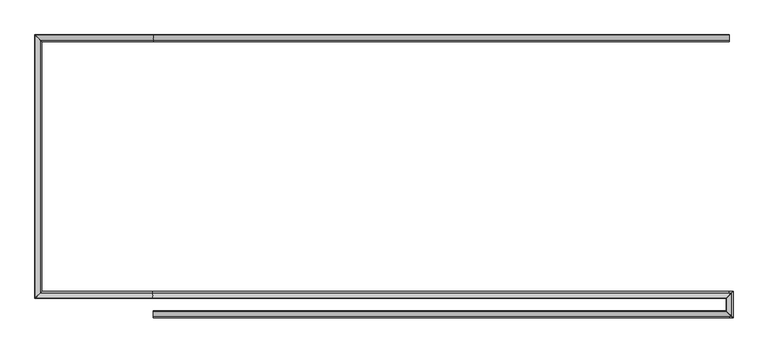
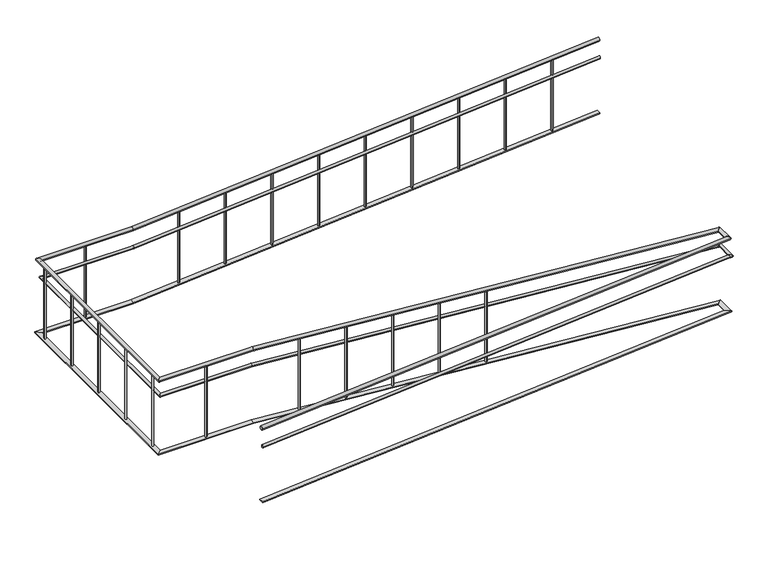
"""IFC4 building model written with IfcOpenShell, lengths in millimetres: railing geometry."""

from ifc_helpers import new_model, si_unit, point, frame, frame_2d, origin, place, context, project, spatial, circle_curve, ellipse_curve, trimmed, segment, composite_curve, outline, extrude, faceted_brep, source, transform, mapped, element, save
from ifc_brep_helpers import plane_surface, cylinder_surface, advanced_brep


def railing_3324883e(model_context):
    return source(origin(), model_context, "Body", "SolidModel", [
        advanced_brep(
        [(-11239.9887159, -19676.8920513, -320.0638979), (-11239.9887159, -19716.8920513, -320.0638979), (-6258.330117, -19676.8920513, 78.46879), (-6218.4575059, -19716.8920513, 81.6585989)],
        [
            (0, 1, ellipse_curve(frame((-11239.9887159, -19696.8920513, -320.0638979), z_axis=(-1.0, 0.0, 0.0), x_axis=(0.0, 0.0, -1.0)), 20.0638979, 20.0)),
            (1, 0, ellipse_curve(frame((-11239.9887159, -19696.8920513, -320.0638979), z_axis=(-1.0, 0.0, 0.0), x_axis=(0.0, 0.0, -1.0)), 20.0638979, 20.0)),
            (2, 3, ellipse_curve(frame((-6238.3938115, -19696.8920513, 80.0636944), z_axis=(0.7048548430432531, 0.7071067811865457, 0.05638838744346014), x_axis=(-0.7048548430432493, 0.7071067811865495, -0.056388387443460065)), 28.2842712, 20.0)),
            (3, 2, ellipse_curve(frame((-6238.3938115, -19696.8920513, 80.0636944), z_axis=(0.7048548430432531, 0.7071067811865457, 0.05638838744346014), x_axis=(-0.7048548430432493, 0.7071067811865495, -0.056388387443460065)), 28.2842712, 20.0)),
            (0, 2),
            (3, 1),
        ],
        [
            plane_surface(frame((-11239.9887159, -19696.8920513, -300.0), z_axis=(-1.0, 0.0, 0.0), x_axis=(0.0, 1.0, 0.0))),
            plane_surface(frame((-6239.9887159, -19696.8920513, 100.0), z_axis=(0.7048548430432531, 0.7071067811865457, 0.05638838744346014), x_axis=(0.70935157026574, -0.7026242841491802, -0.05603092972083304))),
            cylinder_surface(frame((-11238.3938115, -19696.8920513, -319.9363056), z_axis=(-0.9968152785361251, 0.0, -0.07974522228289002), x_axis=(0.0, -1.0, 0.0)), 20.0),
        ],
        [
            (0, [[1, 2]]),
            (1, [[3, 4]]),
            (2, [[-1, 5, -4, 6]]),
            (2, [[-2, -6, -3, -5]]),
        ],
    ),
        advanced_brep(
        [(-6259.9887159, -19675.3608413, 80.0), (-6219.9887159, -19715.2334525, 80.0), (-6259.9887159, -19555.2334525, 80.0), (-6219.9887159, -19515.3608413, 80.0)],
        [
            (0, 1, ellipse_curve(frame((-6239.9887159, -19695.2971469, 80.0), z_axis=(-0.7048548430432531, -0.7071067811865457, -0.05638838744346014), x_axis=(0.7048548430432493, -0.7071067811865495, 0.05638838744346004)), 28.2842712, 20.0)),
            (1, 0, ellipse_curve(frame((-6239.9887159, -19695.2971469, 80.0), z_axis=(-0.7048548430432531, -0.7071067811865457, -0.05638838744346014), x_axis=(0.7048548430432493, -0.7071067811865495, 0.05638838744346004)), 28.2842712, 20.0)),
            (2, 3, ellipse_curve(frame((-6239.9887159, -19535.2971469, 80.0), z_axis=(-0.7048548430432501, 0.7071067811865488, 0.056388387443460086), x_axis=(-0.7048548430432525, -0.7071067811865462, 0.056388387443460086)), 28.2842712, 20.0)),
            (3, 2, ellipse_curve(frame((-6239.9887159, -19535.2971469, 80.0), z_axis=(-0.7048548430432501, 0.7071067811865488, 0.056388387443460086), x_axis=(-0.7048548430432525, -0.7071067811865462, 0.056388387443460086)), 28.2842712, 20.0)),
            (0, 2),
            (3, 1),
        ],
        [
            plane_surface(frame((-6239.9887159, -19696.8920513, 100.0), z_axis=(-0.7048548430432531, -0.7071067811865457, -0.05638838744346014), x_axis=(0.70935157026574, -0.7026242841491802, -0.05603092972083304))),
            plane_surface(frame((-6239.9887159, -19536.8920513, 100.0), z_axis=(-0.7048548430432501, 0.7071067811865488, 0.056388387443460086), x_axis=(0.7093515702657431, 0.7026242841491772, 0.0560309297208325))),
            cylinder_surface(frame((-6239.9887159, -19696.8920513, 80.0), z_axis=(0.0, -1.0, 0.0), x_axis=(1.0, 0.0, 0.0)), 20.0),
        ],
        [
            (0, [[1, 2]]),
            (1, [[3, 4]]),
            (2, [[-1, 5, -4, 6]]),
            (2, [[-2, -6, -3, -5]]),
        ],
    ),
        advanced_brep(
        [(-6261.5199259, -19556.8920513, 81.6585989), (-6221.6473148, -19516.8920513, 78.46879), (-11240.78744, -19556.8920513, 480.0), (-11240.78744, -19516.8920513, 480.0), (-12259.9887159, -19556.8920513, 480.0), (-12219.9887159, -19516.8920513, 480.0), (-12259.9887159, -17276.8920513, 480.0), (-12219.9887159, -17316.8920513, 480.0), (-11239.1899918, -17276.8920513, 480.0), (-11239.1899918, -17316.8920513, 480.0), (-6239.9887159, -17276.8920513, 879.9361021), (-6239.9887159, -17316.8920513, 879.9361021)],
        [
            (0, 1, ellipse_curve(frame((-6241.5836203, -19536.8920513, 80.0636944), z_axis=(0.7048548430432501, -0.7071067811865488, -0.056388387443460086), x_axis=(0.704854843043252, 0.7071067811865466, -0.056388387443460086)), 28.2842712, 20.0)),
            (1, 0, ellipse_curve(frame((-6241.5836203, -19536.8920513, 80.0636944), z_axis=(0.7048548430432501, -0.7071067811865488, -0.056388387443460086), x_axis=(0.704854843043252, 0.7071067811865466, -0.056388387443460086)), 28.2842712, 20.0)),
            (0, 2),
            (2, 3, ellipse_curve(frame((-11240.78744, -19536.8920513, 480.0), z_axis=(0.9992035024298416, 0.0, -0.03990439489501752), x_axis=(-0.03990439489501675, 0.0, -0.9992035024298416)), 20.0159426, 20.0)),
            (3, 1),
            (3, 2, ellipse_curve(frame((-11240.78744, -19536.8920513, 480.0), z_axis=(0.9992035024298416, 0.0, -0.03990439489501752), x_axis=(-0.03990439489501675, 0.0, -0.9992035024298416)), 20.0159426, 20.0)),
            (2, 4),
            (4, 5, ellipse_curve(frame((-12239.9887159, -19536.8920513, 480.0), z_axis=(0.7071067811865462, -0.7071067811865487, 0.0), x_axis=(0.7071067811865488, 0.7071067811865461, 0.0)), 28.2842712, 20.0)),
            (5, 3),
            (5, 4, ellipse_curve(frame((-12239.9887159, -19536.8920513, 480.0), z_axis=(0.7071067811865462, -0.7071067811865487, 0.0), x_axis=(0.7071067811865488, 0.7071067811865461, 0.0)), 28.2842712, 20.0)),
            (4, 6),
            (6, 7, ellipse_curve(frame((-12239.9887159, -17296.8920513, 480.0), z_axis=(-0.7071067811865487, -0.7071067811865462, 0.0), x_axis=(0.7071067811865461, -0.7071067811865488, 0.0)), 28.2842712, 20.0)),
            (7, 5),
            (7, 6, ellipse_curve(frame((-12239.9887159, -17296.8920513, 480.0), z_axis=(-0.7071067811865487, -0.7071067811865462, 0.0), x_axis=(0.7071067811865461, -0.7071067811865488, 0.0)), 28.2842712, 20.0)),
            (6, 8),
            (8, 9, ellipse_curve(frame((-11239.1899918, -17296.8920513, 480.0), z_axis=(-0.9992035024298416, 0.0, -0.03990439489501751), x_axis=(-0.039904394895019554, 0.0, 0.9992035024298416)), 20.0159426, 20.0)),
            (9, 7),
            (9, 8, ellipse_curve(frame((-11239.1899918, -17296.8920513, 480.0), z_axis=(-0.9992035024298416, 0.0, -0.03990439489501751), x_axis=(-0.039904394895019554, 0.0, 0.9992035024298416)), 20.0159426, 20.0)),
            (10, 11, ellipse_curve(frame((-6239.9887159, -17296.8920513, 879.9361021), z_axis=(1.0, 0.0, 0.0), x_axis=(0.0, 0.0, -1.0)), 20.0638979, 20.0)),
            (11, 10, ellipse_curve(frame((-6239.9887159, -17296.8920513, 879.9361021), z_axis=(1.0, 0.0, 0.0), x_axis=(0.0, 0.0, -1.0)), 20.0638979, 20.0)),
            (8, 10),
            (11, 9),
        ],
        [
            plane_surface(frame((-6239.9887159, -19536.8920513, 100.0), z_axis=(0.7048548430432501, -0.7071067811865488, -0.056388387443460086), x_axis=(0.7093515702657431, 0.7026242841491772, 0.0560309297208325))),
            cylinder_surface(frame((-6241.5836203, -19536.8920513, 80.0636944), z_axis=(0.9968152785361251, 0.0, -0.07974522228289001), x_axis=(0.0, 1.0, 0.0)), 20.0),
            cylinder_surface(frame((-11239.9887159, -19536.8920513, 480.0), z_axis=(1.0, 0.0, 0.0), x_axis=(0.0, 1.0, 0.0)), 20.0),
            cylinder_surface(frame((-12239.9887159, -19536.8920513, 480.0), z_axis=(0.0, -1.0, 0.0), x_axis=(1.0, 0.0, 0.0)), 20.0),
            cylinder_surface(frame((-12239.9887159, -17296.8920513, 480.0), z_axis=(-1.0, 0.0, 0.0), x_axis=(0.0, -1.0, 0.0)), 20.0),
            plane_surface(frame((-6239.9887159, -17296.8920513, 900.0), z_axis=(1.0, 0.0, 0.0), x_axis=(0.0, 1.0, 0.0))),
            cylinder_surface(frame((-11238.3938115, -17296.8920513, 480.0636944), z_axis=(-0.9968152785361251, 0.0, -0.07974522228288998), x_axis=(0.0, -1.0, 0.0)), 20.0),
        ],
        [
            (0, [[1, 2]]),
            (1, [[-1, 3, 4, 5]]),
            (1, [[-2, -5, 6, -3]]),
            (2, [[-4, 7, 8, 9]]),
            (2, [[-6, -9, 10, -7]]),
            (3, [[-8, 11, 12, 13]]),
            (3, [[-10, -13, 14, -11]]),
            (4, [[-12, 15, 16, 17]]),
            (4, [[-14, -17, 18, -15]]),
            (5, [[19, 20]]),
            (6, [[-16, 21, -20, 22]]),
            (6, [[-18, -22, -19, -21]]),
        ],
    ),
        advanced_brep(
        [(-11239.9887159, -19701.8920513, -515.0479234), (-11239.9887159, -19731.8920513, -515.0479234), (-6239.3896728, -19701.8920513, -115.0), (-6239.3896728, -19731.8920513, -115.0), (-6234.9887159, -19701.8920513, -115.0), (-6204.9887159, -19731.8920513, -115.0), (-6234.9887159, -19531.8920513, -115.0), (-6204.9887159, -19501.8920513, -115.0), (-6240.587759, -19531.8920513, -115.0), (-6240.587759, -19501.8920513, -115.0), (-11240.587759, -19531.8920513, 285.0), (-11240.587759, -19501.8920513, 285.0), (-12234.9887159, -19531.8920513, 285.0), (-12204.9887159, -19501.8920513, 285.0), (-12234.9887159, -17301.8920513, 285.0), (-12204.9887159, -17331.8920513, 285.0), (-11239.3896728, -17301.8920513, 285.0), (-11239.3896728, -17331.8920513, 285.0), (-6239.9887159, -17301.8920513, 684.9520766), (-6239.9887159, -17331.8920513, 684.9520766)],
        [
            (0, 1, ellipse_curve(frame((-11239.9887159, -19716.8920513, -515.0479234), z_axis=(-1.0, 0.0, 0.0), x_axis=(0.0, 0.0, -1.0)), 15.0479234, 15.0)),
            (1, 0, ellipse_curve(frame((-11239.9887159, -19716.8920513, -515.0479234), z_axis=(-1.0, 0.0, 0.0), x_axis=(0.0, 0.0, -1.0)), 15.0479234, 15.0)),
            (0, 2),
            (2, 3, ellipse_curve(frame((-6239.3896728, -19716.8920513, -115.0), z_axis=(-0.9992035024298416, 0.0, -0.03990439489501753), x_axis=(0.03990439489501675, 0.0, -0.9992035024298417)), 15.011957, 15.0)),
            (3, 1),
            (3, 2, ellipse_curve(frame((-6239.3896728, -19716.8920513, -115.0), z_axis=(-0.9992035024298416, 0.0, -0.03990439489501753), x_axis=(0.03990439489501675, 0.0, -0.9992035024298417)), 15.011957, 15.0)),
            (2, 4),
            (4, 5, ellipse_curve(frame((-6219.9887159, -19716.8920513, -115.0), z_axis=(-0.7071067811865493, -0.7071067811865456, 0.0), x_axis=(-0.7071067811865458, 0.7071067811865492, 0.0)), 21.2132034, 15.0)),
            (5, 3),
            (5, 4, ellipse_curve(frame((-6219.9887159, -19716.8920513, -115.0), z_axis=(-0.7071067811865493, -0.7071067811865456, 0.0), x_axis=(-0.7071067811865458, 0.7071067811865492, 0.0)), 21.2132034, 15.0)),
            (4, 6),
            (6, 7, ellipse_curve(frame((-6219.9887159, -19516.8920513, -115.0), z_axis=(0.7071067811865462, -0.7071067811865487, 0.0), x_axis=(-0.7071067811865486, -0.7071067811865464, 0.0)), 21.2132034, 15.0)),
            (7, 5),
            (7, 6, ellipse_curve(frame((-6219.9887159, -19516.8920513, -115.0), z_axis=(0.7071067811865462, -0.7071067811865487, 0.0), x_axis=(-0.7071067811865486, -0.7071067811865464, 0.0)), 21.2132034, 15.0)),
            (6, 8),
            (8, 9, ellipse_curve(frame((-6240.587759, -19516.8920513, -115.0), z_axis=(0.9992035024298416, 0.0, -0.03990439489501752), x_axis=(0.03990439489501954, 0.0, 0.9992035024298416)), 15.011957, 15.0)),
            (9, 7),
            (9, 8, ellipse_curve(frame((-6240.587759, -19516.8920513, -115.0), z_axis=(0.9992035024298416, 0.0, -0.03990439489501752), x_axis=(0.03990439489501954, 0.0, 0.9992035024298416)), 15.011957, 15.0)),
            (8, 10),
            (10, 11, ellipse_curve(frame((-11240.587759, -19516.8920513, 285.0), z_axis=(0.9992035024298416, 0.0, -0.03990439489501752), x_axis=(-0.03990439489501675, 0.0, -0.9992035024298416)), 15.011957, 15.0)),
            (11, 9),
            (11, 10, ellipse_curve(frame((-11240.587759, -19516.8920513, 285.0), z_axis=(0.9992035024298416, 0.0, -0.03990439489501752), x_axis=(-0.03990439489501675, 0.0, -0.9992035024298416)), 15.011957, 15.0)),
            (10, 12),
            (12, 13, ellipse_curve(frame((-12219.9887159, -19516.8920513, 285.0), z_axis=(0.7071067811865462, -0.7071067811865487, 0.0), x_axis=(0.7071067811865488, 0.7071067811865461, 0.0)), 21.2132034, 15.0)),
            (13, 11),
            (13, 12, ellipse_curve(frame((-12219.9887159, -19516.8920513, 285.0), z_axis=(0.7071067811865462, -0.7071067811865487, 0.0), x_axis=(0.7071067811865488, 0.7071067811865461, 0.0)), 21.2132034, 15.0)),
            (12, 14),
            (14, 15, ellipse_curve(frame((-12219.9887159, -17316.8920513, 285.0), z_axis=(-0.7071067811865487, -0.7071067811865462, 0.0), x_axis=(0.7071067811865461, -0.7071067811865488, 0.0)), 21.2132034, 15.0)),
            (15, 13),
            (15, 14, ellipse_curve(frame((-12219.9887159, -17316.8920513, 285.0), z_axis=(-0.7071067811865487, -0.7071067811865462, 0.0), x_axis=(0.7071067811865461, -0.7071067811865488, 0.0)), 21.2132034, 15.0)),
            (14, 16),
            (16, 17, ellipse_curve(frame((-11239.3896728, -17316.8920513, 285.0), z_axis=(-0.9992035024298416, 0.0, -0.03990439489501751), x_axis=(-0.039904394895019554, 0.0, 0.9992035024298416)), 15.011957, 15.0)),
            (17, 15),
            (17, 16, ellipse_curve(frame((-11239.3896728, -17316.8920513, 285.0), z_axis=(-0.9992035024298416, 0.0, -0.03990439489501751), x_axis=(-0.039904394895019554, 0.0, 0.9992035024298416)), 15.011957, 15.0)),
            (18, 19, ellipse_curve(frame((-6239.9887159, -17316.8920513, 684.9520766), z_axis=(1.0, 0.0, 0.0), x_axis=(0.0, 0.0, -1.0)), 15.0479234, 15.0)),
            (19, 18, ellipse_curve(frame((-6239.9887159, -17316.8920513, 684.9520766), z_axis=(1.0, 0.0, 0.0), x_axis=(0.0, 0.0, -1.0)), 15.0479234, 15.0)),
            (16, 18),
            (19, 17),
        ],
        [
            plane_surface(frame((-11239.9887159, -19716.8920513, -500.0), z_axis=(-1.0, 0.0, 0.0), x_axis=(0.0, 1.0, 0.0))),
            cylinder_surface(frame((-11238.7925376, -19716.8920513, -514.9522292), z_axis=(-0.9968152785361251, 0.0, -0.07974522228289002), x_axis=(0.0, -1.0, 0.0)), 15.0),
            cylinder_surface(frame((-6239.9887159, -19716.8920513, -115.0), z_axis=(-1.0, 0.0, 0.0), x_axis=(0.0, -1.0, 0.0)), 15.0),
            cylinder_surface(frame((-6219.9887159, -19716.8920513, -115.0), z_axis=(0.0, -1.0, 0.0), x_axis=(1.0, 0.0, 0.0)), 15.0),
            cylinder_surface(frame((-6219.9887159, -19516.8920513, -115.0), z_axis=(1.0, 0.0, 0.0), x_axis=(0.0, 1.0, 0.0)), 15.0),
            cylinder_surface(frame((-6241.1848942, -19516.8920513, -114.9522292), z_axis=(0.9968152785361251, 0.0, -0.07974522228289001), x_axis=(0.0, 1.0, 0.0)), 15.0),
            cylinder_surface(frame((-11239.9887159, -19516.8920513, 285.0), z_axis=(1.0, 0.0, 0.0), x_axis=(0.0, 1.0, 0.0)), 15.0),
            cylinder_surface(frame((-12219.9887159, -19516.8920513, 285.0), z_axis=(0.0, -1.0, 0.0), x_axis=(1.0, 0.0, 0.0)), 15.0),
            cylinder_surface(frame((-12219.9887159, -17316.8920513, 285.0), z_axis=(-1.0, 0.0, 0.0), x_axis=(0.0, -1.0, 0.0)), 15.0),
            plane_surface(frame((-6239.9887159, -17316.8920513, 700.0), z_axis=(1.0, 0.0, 0.0), x_axis=(0.0, 1.0, 0.0))),
            cylinder_surface(frame((-11238.7925376, -17316.8920513, 285.0477708), z_axis=(-0.9968152785361251, 0.0, -0.07974522228288998), x_axis=(0.0, -1.0, 0.0)), 15.0),
        ],
        [
            (0, [[1, 2]]),
            (1, [[-1, 3, 4, 5]]),
            (1, [[-2, -5, 6, -3]]),
            (2, [[-4, 7, 8, 9]]),
            (2, [[-6, -9, 10, -7]]),
            (3, [[-8, 11, 12, 13]]),
            (3, [[-10, -13, 14, -11]]),
            (4, [[-12, 15, 16, 17]]),
            (4, [[-14, -17, 18, -15]]),
            (5, [[-16, 19, 20, 21]]),
            (5, [[-18, -21, 22, -19]]),
            (6, [[-20, 23, 24, 25]]),
            (6, [[-22, -25, 26, -23]]),
            (7, [[-24, 27, 28, 29]]),
            (7, [[-26, -29, 30, -27]]),
            (8, [[-28, 31, 32, 33]]),
            (8, [[-30, -33, 34, -31]]),
            (9, [[35, 36]]),
            (10, [[-32, 37, -36, 38]]),
            (10, [[-34, -38, -35, -37]]),
        ],
    ),
        faceted_brep([(-11239.9887159, -19721.8920513, -1140.0), (-11239.9887159, -19671.8920513, -1140.0), (-11239.9887159, -19671.8920513, -1150.031949), (-11239.9887159, -19721.8920513, -1150.031949), (-6215.0683339, -19721.8920513, -738.0063694), (-6214.2708817, -19721.8920513, -747.9745222), (-6264.1116456, -19671.8920513, -751.9617833), (-6264.9090979, -19671.8920513, -741.9936306)], [[[0, 1, 2, 3]], [[4, 5, 6, 7]], [[1, 0, 4, 7]], [[2, 1, 7, 6]], [[3, 2, 6, 5]], [[0, 3, 5, 4]]]),
        faceted_brep([(-6214.9887159, -19721.8124333, -740.0), (-6264.9887159, -19671.9716694, -740.0), (-6264.9887159, -19671.1742172, -750.0), (-6214.9887159, -19721.0149811, -750.0), (-6214.9887159, -19511.9716694, -740.0), (-6214.9887159, -19511.1742172, -750.0), (-6264.9887159, -19561.0149811, -750.0), (-6264.9887159, -19561.8124333, -740.0)], [[[0, 1, 2, 3]], [[4, 5, 6, 7]], [[1, 0, 4, 7]], [[2, 1, 7, 6]], [[3, 2, 6, 5]], [[0, 3, 5, 4]]]),
        faceted_brep([(-6215.0683339, -19511.8920513, -741.9936306), (-6264.9090979, -19561.8920513, -738.0063694), (-6265.7065501, -19561.8920513, -747.9745222), (-6215.8657862, -19511.8920513, -751.9617833), (-11239.9887159, -19511.8920513, -340.0), (-11239.9887159, -19561.8920513, -340.0), (-11240.3880779, -19561.8920513, -350.0), (-11240.3880779, -19511.8920513, -350.0), (-12214.9887159, -19511.8920513, -340.0), (-12264.9887159, -19561.8920513, -340.0), (-12264.9887159, -19561.8920513, -350.0), (-12214.9887159, -19511.8920513, -350.0), (-12214.9887159, -17321.8920513, -340.0), (-12264.9887159, -17271.8920513, -340.0), (-12264.9887159, -17271.8920513, -350.0), (-12214.9887159, -17321.8920513, -350.0), (-11239.9887159, -17321.8920513, -340.0), (-11239.9887159, -17271.8920513, -340.0), (-11239.5893539, -17271.8920513, -350.0), (-11239.5893539, -17321.8920513, -350.0), (-6239.9887159, -17321.8920513, 60.0), (-6239.9887159, -17321.8920513, 49.968051), (-6239.9887159, -17271.8920513, 49.968051), (-6239.9887159, -17271.8920513, 60.0)], [[[0, 1, 2, 3]], [[1, 0, 4, 5]], [[2, 1, 5, 6]], [[3, 2, 6, 7]], [[0, 3, 7, 4]], [[5, 4, 8, 9]], [[6, 5, 9, 10]], [[7, 6, 10, 11]], [[4, 7, 11, 8]], [[9, 8, 12, 13]], [[10, 9, 13, 14]], [[11, 10, 14, 15]], [[8, 11, 15, 12]], [[13, 12, 16, 17]], [[14, 13, 17, 18]], [[15, 14, 18, 19]], [[12, 15, 19, 16]], [[20, 21, 22, 23]], [[17, 16, 20, 23]], [[18, 17, 23, 22]], [[19, 18, 22, 21]], [[16, 19, 21, 20]]]),
        advanced_brep(
        [(-6739.9887159, -17306.8920513, 819.8722041), (-6739.9887159, -17306.8920513, 20.0), (-6739.9887159, -17286.8920513, 20.0), (-6739.9887159, -17286.8920513, 819.8722041)],
        [
            (0, 1),
            (1, 2, ellipse_curve(frame((-6739.9887159, -17296.8920513, 20.0), z_axis=(-0.07974522228288976, 0.0, 0.9968152785361251), x_axis=(0.9968152785361251, 0.0, 0.07974522228288902)), 10.031949, 10.0)),
            (2, 3),
            (3, 0, ellipse_curve(frame((-6739.9887159, -17296.8920513, 819.8722041), z_axis=(0.07974522228288877, 0.0, -0.9968152785361252), x_axis=(0.9968152785361252, 0.0, 0.07974522228288722)), 10.031949, 10.0)),
            (0, 3, ellipse_curve(frame((-6739.9887159, -17296.8920513, 819.8722041), z_axis=(0.07974522228288877, 0.0, -0.9968152785361252), x_axis=(0.9968152785361252, 0.0, 0.07974522228288722)), 10.031949, 10.0)),
            (2, 1, ellipse_curve(frame((-6739.9887159, -17296.8920513, 20.0), z_axis=(-0.07974522228288976, 0.0, 0.9968152785361251), x_axis=(0.9968152785361251, 0.0, 0.07974522228288902)), 10.031949, 10.0)),
        ],
        [
            cylinder_surface(frame((-6739.9887159, -17296.8920513, -80.0), z_axis=(0.0, 0.0, 1.0), x_axis=(0.0, 1.0, 0.0)), 10.0),
            plane_surface(frame((-6719.9887159, -17276.8920513, 821.4722041), z_axis=(-0.07974522228288877, 0.0, 0.9968152785361252), x_axis=(0.0, -1.0, 0.0))),
            plane_surface(frame((-6759.9887159, -17276.8920513, 18.4), z_axis=(0.07974522228288976, 0.0, -0.9968152785361251), x_axis=(0.0, -1.0, 0.0))),
        ],
        [
            (0, [[1, 2, 3, 4]]),
            (0, [[-1, 5, -3, 6]]),
            (1, [[-4, -5]]),
            (2, [[-2, -6]]),
        ],
    ),
        advanced_brep(
        [(-7239.9887159, -17306.8920513, 779.8722041), (-7239.9887159, -17306.8920513, -20.0), (-7239.9887159, -17286.8920513, -20.0), (-7239.9887159, -17286.8920513, 779.8722041)],
        [
            (0, 1),
            (1, 2, ellipse_curve(frame((-7239.9887159, -17296.8920513, -20.0), z_axis=(-0.07974522228288976, 0.0, 0.9968152785361251), x_axis=(0.9968152785361251, 0.0, 0.07974522228288902)), 10.031949, 10.0)),
            (2, 3),
            (3, 0, ellipse_curve(frame((-7239.9887159, -17296.8920513, 779.8722041), z_axis=(0.07974522228288877, 0.0, -0.9968152785361252), x_axis=(0.9968152785361252, 0.0, 0.07974522228288722)), 10.031949, 10.0)),
            (0, 3, ellipse_curve(frame((-7239.9887159, -17296.8920513, 779.8722041), z_axis=(0.07974522228288877, 0.0, -0.9968152785361252), x_axis=(0.9968152785361252, 0.0, 0.07974522228288722)), 10.031949, 10.0)),
            (2, 1, ellipse_curve(frame((-7239.9887159, -17296.8920513, -20.0), z_axis=(-0.07974522228288976, 0.0, 0.9968152785361251), x_axis=(0.9968152785361251, 0.0, 0.07974522228288902)), 10.031949, 10.0)),
        ],
        [
            cylinder_surface(frame((-7239.9887159, -17296.8920513, -120.0), z_axis=(0.0, 0.0, 1.0), x_axis=(0.0, 1.0, 0.0)), 10.0),
            plane_surface(frame((-7219.9887159, -17276.8920513, 781.4722041), z_axis=(-0.07974522228288877, 0.0, 0.9968152785361252), x_axis=(0.0, -1.0, 0.0))),
            plane_surface(frame((-7259.9887159, -17276.8920513, -21.6), z_axis=(0.07974522228288976, 0.0, -0.9968152785361251), x_axis=(0.0, -1.0, 0.0))),
        ],
        [
            (0, [[1, 2, 3, 4]]),
            (0, [[-1, 5, -3, 6]]),
            (1, [[-4, -5]]),
            (2, [[-2, -6]]),
        ],
    ),
        advanced_brep(
        [(-7739.9887159, -17306.8920513, 739.8722041), (-7739.9887159, -17306.8920513, -60.0), (-7739.9887159, -17286.8920513, -60.0), (-7739.9887159, -17286.8920513, 739.8722041)],
        [
            (0, 1),
            (1, 2, ellipse_curve(frame((-7739.9887159, -17296.8920513, -60.0), z_axis=(-0.07974522228288976, 0.0, 0.9968152785361251), x_axis=(0.9968152785361251, 0.0, 0.07974522228288902)), 10.031949, 10.0)),
            (2, 3),
            (3, 0, ellipse_curve(frame((-7739.9887159, -17296.8920513, 739.8722041), z_axis=(0.07974522228288877, 0.0, -0.9968152785361252), x_axis=(0.9968152785361252, 0.0, 0.07974522228288722)), 10.031949, 10.0)),
            (0, 3, ellipse_curve(frame((-7739.9887159, -17296.8920513, 739.8722041), z_axis=(0.07974522228288877, 0.0, -0.9968152785361252), x_axis=(0.9968152785361252, 0.0, 0.07974522228288722)), 10.031949, 10.0)),
            (2, 1, ellipse_curve(frame((-7739.9887159, -17296.8920513, -60.0), z_axis=(-0.07974522228288976, 0.0, 0.9968152785361251), x_axis=(0.9968152785361251, 0.0, 0.07974522228288902)), 10.031949, 10.0)),
        ],
        [
            cylinder_surface(frame((-7739.9887159, -17296.8920513, -160.0), z_axis=(0.0, 0.0, 1.0), x_axis=(0.0, 1.0, 0.0)), 10.0),
            plane_surface(frame((-7719.9887159, -17276.8920513, 741.4722041), z_axis=(-0.07974522228288877, 0.0, 0.9968152785361252), x_axis=(0.0, -1.0, 0.0))),
            plane_surface(frame((-7759.9887159, -17276.8920513, -61.6), z_axis=(0.07974522228288976, 0.0, -0.9968152785361251), x_axis=(0.0, -1.0, 0.0))),
        ],
        [
            (0, [[1, 2, 3, 4]]),
            (0, [[-1, 5, -3, 6]]),
            (1, [[-4, -5]]),
            (2, [[-2, -6]]),
        ],
    ),
        advanced_brep(
        [(-8239.9887159, -17306.8920513, 699.8722041), (-8239.9887159, -17306.8920513, -100.0), (-8239.9887159, -17286.8920513, -100.0), (-8239.9887159, -17286.8920513, 699.8722041)],
        [
            (0, 1),
            (1, 2, ellipse_curve(frame((-8239.9887159, -17296.8920513, -100.0), z_axis=(-0.07974522228288976, 0.0, 0.9968152785361251), x_axis=(0.9968152785361251, 0.0, 0.07974522228288902)), 10.031949, 10.0)),
            (2, 3),
            (3, 0, ellipse_curve(frame((-8239.9887159, -17296.8920513, 699.8722041), z_axis=(0.07974522228288877, 0.0, -0.9968152785361252), x_axis=(0.9968152785361252, 0.0, 0.07974522228288722)), 10.031949, 10.0)),
            (0, 3, ellipse_curve(frame((-8239.9887159, -17296.8920513, 699.8722041), z_axis=(0.07974522228288877, 0.0, -0.9968152785361252), x_axis=(0.9968152785361252, 0.0, 0.07974522228288722)), 10.031949, 10.0)),
            (2, 1, ellipse_curve(frame((-8239.9887159, -17296.8920513, -100.0), z_axis=(-0.07974522228288976, 0.0, 0.9968152785361251), x_axis=(0.9968152785361251, 0.0, 0.07974522228288902)), 10.031949, 10.0)),
        ],
        [
            cylinder_surface(frame((-8239.9887159, -17296.8920513, -200.0), z_axis=(0.0, 0.0, 1.0), x_axis=(0.0, 1.0, 0.0)), 10.0),
            plane_surface(frame((-8219.9887159, -17276.8920513, 701.4722041), z_axis=(-0.07974522228288877, 0.0, 0.9968152785361252), x_axis=(0.0, -1.0, 0.0))),
            plane_surface(frame((-8259.9887159, -17276.8920513, -101.6), z_axis=(0.07974522228288976, 0.0, -0.9968152785361251), x_axis=(0.0, -1.0, 0.0))),
        ],
        [
            (0, [[1, 2, 3, 4]]),
            (0, [[-1, 5, -3, 6]]),
            (1, [[-4, -5]]),
            (2, [[-2, -6]]),
        ],
    ),
        advanced_brep(
        [(-8739.9887159, -17306.8920513, 659.8722041), (-8739.9887159, -17306.8920513, -140.0), (-8739.9887159, -17286.8920513, -140.0), (-8739.9887159, -17286.8920513, 659.8722041)],
        [
            (0, 1),
            (1, 2, ellipse_curve(frame((-8739.9887159, -17296.8920513, -140.0), z_axis=(-0.07974522228288976, 0.0, 0.9968152785361251), x_axis=(0.9968152785361251, 0.0, 0.07974522228288902)), 10.031949, 10.0)),
            (2, 3),
            (3, 0, ellipse_curve(frame((-8739.9887159, -17296.8920513, 659.8722041), z_axis=(0.07974522228288877, 0.0, -0.9968152785361252), x_axis=(0.9968152785361252, 0.0, 0.07974522228288722)), 10.031949, 10.0)),
            (0, 3, ellipse_curve(frame((-8739.9887159, -17296.8920513, 659.8722041), z_axis=(0.07974522228288877, 0.0, -0.9968152785361252), x_axis=(0.9968152785361252, 0.0, 0.07974522228288722)), 10.031949, 10.0)),
            (2, 1, ellipse_curve(frame((-8739.9887159, -17296.8920513, -140.0), z_axis=(-0.07974522228288976, 0.0, 0.9968152785361251), x_axis=(0.9968152785361251, 0.0, 0.07974522228288902)), 10.031949, 10.0)),
        ],
        [
            cylinder_surface(frame((-8739.9887159, -17296.8920513, -240.0), z_axis=(0.0, 0.0, 1.0), x_axis=(0.0, 1.0, 0.0)), 10.0),
            plane_surface(frame((-8719.9887159, -17276.8920513, 661.4722041), z_axis=(-0.07974522228288877, 0.0, 0.9968152785361252), x_axis=(0.0, -1.0, 0.0))),
            plane_surface(frame((-8759.9887159, -17276.8920513, -141.6), z_axis=(0.07974522228288976, 0.0, -0.9968152785361251), x_axis=(0.0, -1.0, 0.0))),
        ],
        [
            (0, [[1, 2, 3, 4]]),
            (0, [[-1, 5, -3, 6]]),
            (1, [[-4, -5]]),
            (2, [[-2, -6]]),
        ],
    ),
        advanced_brep(
        [(-9239.9887159, -17306.8920513, 619.8722041), (-9239.9887159, -17306.8920513, -180.0), (-9239.9887159, -17286.8920513, -180.0), (-9239.9887159, -17286.8920513, 619.8722041)],
        [
            (0, 1),
            (1, 2, ellipse_curve(frame((-9239.9887159, -17296.8920513, -180.0), z_axis=(-0.07974522228288976, 0.0, 0.9968152785361251), x_axis=(0.9968152785361251, 0.0, 0.07974522228288902)), 10.031949, 10.0)),
            (2, 3),
            (3, 0, ellipse_curve(frame((-9239.9887159, -17296.8920513, 619.8722041), z_axis=(0.07974522228288877, 0.0, -0.9968152785361252), x_axis=(0.9968152785361252, 0.0, 0.07974522228288722)), 10.031949, 10.0)),
            (0, 3, ellipse_curve(frame((-9239.9887159, -17296.8920513, 619.8722041), z_axis=(0.07974522228288877, 0.0, -0.9968152785361252), x_axis=(0.9968152785361252, 0.0, 0.07974522228288722)), 10.031949, 10.0)),
            (2, 1, ellipse_curve(frame((-9239.9887159, -17296.8920513, -180.0), z_axis=(-0.07974522228288976, 0.0, 0.9968152785361251), x_axis=(0.9968152785361251, 0.0, 0.07974522228288902)), 10.031949, 10.0)),
        ],
        [
            cylinder_surface(frame((-9239.9887159, -17296.8920513, -280.0), z_axis=(0.0, 0.0, 1.0), x_axis=(0.0, 1.0, 0.0)), 10.0),
            plane_surface(frame((-9219.9887159, -17276.8920513, 621.4722041), z_axis=(-0.07974522228288877, 0.0, 0.9968152785361252), x_axis=(0.0, -1.0, 0.0))),
            plane_surface(frame((-9259.9887159, -17276.8920513, -181.6), z_axis=(0.07974522228288976, 0.0, -0.9968152785361251), x_axis=(0.0, -1.0, 0.0))),
        ],
        [
            (0, [[1, 2, 3, 4]]),
            (0, [[-1, 5, -3, 6]]),
            (1, [[-4, -5]]),
            (2, [[-2, -6]]),
        ],
    ),
        advanced_brep(
        [(-9739.9887159, -17306.8920513, 579.8722041), (-9739.9887159, -17306.8920513, -220.0), (-9739.9887159, -17286.8920513, -220.0), (-9739.9887159, -17286.8920513, 579.8722041)],
        [
            (0, 1),
            (1, 2, ellipse_curve(frame((-9739.9887159, -17296.8920513, -220.0), z_axis=(-0.07974522228288976, 0.0, 0.9968152785361251), x_axis=(0.9968152785361251, 0.0, 0.07974522228288902)), 10.031949, 10.0)),
            (2, 3),
            (3, 0, ellipse_curve(frame((-9739.9887159, -17296.8920513, 579.8722041), z_axis=(0.07974522228288877, 0.0, -0.9968152785361252), x_axis=(0.9968152785361252, 0.0, 0.07974522228288722)), 10.031949, 10.0)),
            (0, 3, ellipse_curve(frame((-9739.9887159, -17296.8920513, 579.8722041), z_axis=(0.07974522228288877, 0.0, -0.9968152785361252), x_axis=(0.9968152785361252, 0.0, 0.07974522228288722)), 10.031949, 10.0)),
            (2, 1, ellipse_curve(frame((-9739.9887159, -17296.8920513, -220.0), z_axis=(-0.07974522228288976, 0.0, 0.9968152785361251), x_axis=(0.9968152785361251, 0.0, 0.07974522228288902)), 10.031949, 10.0)),
        ],
        [
            cylinder_surface(frame((-9739.9887159, -17296.8920513, -320.0), z_axis=(0.0, 0.0, 1.0), x_axis=(0.0, 1.0, 0.0)), 10.0),
            plane_surface(frame((-9719.9887159, -17276.8920513, 581.4722041), z_axis=(-0.07974522228288877, 0.0, 0.9968152785361252), x_axis=(0.0, -1.0, 0.0))),
            plane_surface(frame((-9759.9887159, -17276.8920513, -221.6), z_axis=(0.07974522228288976, 0.0, -0.9968152785361251), x_axis=(0.0, -1.0, 0.0))),
        ],
        [
            (0, [[1, 2, 3, 4]]),
            (0, [[-1, 5, -3, 6]]),
            (1, [[-4, -5]]),
            (2, [[-2, -6]]),
        ],
    ),
        advanced_brep(
        [(-10239.9887159, -17306.8920513, 539.8722041), (-10239.9887159, -17306.8920513, -260.0), (-10239.9887159, -17286.8920513, -260.0), (-10239.9887159, -17286.8920513, 539.8722041)],
        [
            (0, 1),
            (1, 2, ellipse_curve(frame((-10239.9887159, -17296.8920513, -260.0), z_axis=(-0.07974522228288976, 0.0, 0.9968152785361251), x_axis=(0.9968152785361251, 0.0, 0.07974522228288902)), 10.031949, 10.0)),
            (2, 3),
            (3, 0, ellipse_curve(frame((-10239.9887159, -17296.8920513, 539.8722041), z_axis=(0.07974522228288877, 0.0, -0.9968152785361252), x_axis=(0.9968152785361252, 0.0, 0.07974522228288722)), 10.031949, 10.0)),
            (0, 3, ellipse_curve(frame((-10239.9887159, -17296.8920513, 539.8722041), z_axis=(0.07974522228288877, 0.0, -0.9968152785361252), x_axis=(0.9968152785361252, 0.0, 0.07974522228288722)), 10.031949, 10.0)),
            (2, 1, ellipse_curve(frame((-10239.9887159, -17296.8920513, -260.0), z_axis=(-0.07974522228288976, 0.0, 0.9968152785361251), x_axis=(0.9968152785361251, 0.0, 0.07974522228288902)), 10.031949, 10.0)),
        ],
        [
            cylinder_surface(frame((-10239.9887159, -17296.8920513, -360.0), z_axis=(0.0, 0.0, 1.0), x_axis=(0.0, 1.0, 0.0)), 10.0),
            plane_surface(frame((-10219.9887159, -17276.8920513, 541.4722041), z_axis=(-0.07974522228288877, 0.0, 0.9968152785361252), x_axis=(0.0, -1.0, 0.0))),
            plane_surface(frame((-10259.9887159, -17276.8920513, -261.6), z_axis=(0.07974522228288976, 0.0, -0.9968152785361251), x_axis=(0.0, -1.0, 0.0))),
        ],
        [
            (0, [[1, 2, 3, 4]]),
            (0, [[-1, 5, -3, 6]]),
            (1, [[-4, -5]]),
            (2, [[-2, -6]]),
        ],
    ),
        advanced_brep(
        [(-10739.9887159, -17306.8920513, 499.8722041), (-10739.9887159, -17306.8920513, -300.0), (-10739.9887159, -17286.8920513, -300.0), (-10739.9887159, -17286.8920513, 499.8722041)],
        [
            (0, 1),
            (1, 2, ellipse_curve(frame((-10739.9887159, -17296.8920513, -300.0), z_axis=(-0.07974522228288976, 0.0, 0.9968152785361251), x_axis=(0.9968152785361251, 0.0, 0.07974522228288902)), 10.031949, 10.0)),
            (2, 3),
            (3, 0, ellipse_curve(frame((-10739.9887159, -17296.8920513, 499.8722041), z_axis=(0.07974522228288877, 0.0, -0.9968152785361252), x_axis=(0.9968152785361252, 0.0, 0.07974522228288722)), 10.031949, 10.0)),
            (0, 3, ellipse_curve(frame((-10739.9887159, -17296.8920513, 499.8722041), z_axis=(0.07974522228288877, 0.0, -0.9968152785361252), x_axis=(0.9968152785361252, 0.0, 0.07974522228288722)), 10.031949, 10.0)),
            (2, 1, ellipse_curve(frame((-10739.9887159, -17296.8920513, -300.0), z_axis=(-0.07974522228288976, 0.0, 0.9968152785361251), x_axis=(0.9968152785361251, 0.0, 0.07974522228288902)), 10.031949, 10.0)),
        ],
        [
            cylinder_surface(frame((-10739.9887159, -17296.8920513, -400.0), z_axis=(0.0, 0.0, 1.0), x_axis=(0.0, 1.0, 0.0)), 10.0),
            plane_surface(frame((-10719.9887159, -17276.8920513, 501.4722041), z_axis=(-0.07974522228288877, 0.0, 0.9968152785361252), x_axis=(0.0, -1.0, 0.0))),
            plane_surface(frame((-10759.9887159, -17276.8920513, -301.6), z_axis=(0.07974522228288976, 0.0, -0.9968152785361251), x_axis=(0.0, -1.0, 0.0))),
        ],
        [
            (0, [[1, 2, 3, 4]]),
            (0, [[-1, 5, -3, 6]]),
            (1, [[-4, -5]]),
            (2, [[-2, -6]]),
        ],
    ),
        extrude(outline(composite_curve([segment(trimmed(circle_curve(frame_2d((-11739.9887159, -17296.8920513)), 10.0), [point((-11739.9887159, -17286.8920513))], [point((-11739.9887159, -17306.8920513))], False, "CARTESIAN"), True, "CONTINUOUS"), segment(trimmed(circle_curve(frame_2d((-11739.9887159, -17296.8920513)), 10.0), [point((-11739.9887159, -17306.8920513))], [point((-11739.9887159, -17286.8920513))], False, "CARTESIAN"), True, "CONTINUOUS")], self_intersect=False)), frame((0.0, 0.0, -340.0), z_axis=(0.0, 0.0, 1.0), x_axis=(1.0, 0.0, 0.0)), (0.0, 0.0, 1.0), 800.0),
        extrude(outline(composite_curve([segment(trimmed(circle_curve(frame_2d((-12239.9887159, -17416.8920513)), 10.0), [point((-12249.9887159, -17416.8920513))], [point((-12229.9887159, -17416.8920513))], False, "CARTESIAN"), True, "CONTINUOUS"), segment(trimmed(circle_curve(frame_2d((-12239.9887159, -17416.8920513)), 10.0), [point((-12229.9887159, -17416.8920513))], [point((-12249.9887159, -17416.8920513))], False, "CARTESIAN"), True, "CONTINUOUS")], self_intersect=False)), frame((0.0, 0.0, -340.0), z_axis=(0.0, 0.0, 1.0), x_axis=(1.0, 0.0, 0.0)), (0.0, 0.0, 1.0), 800.0),
        extrude(outline(composite_curve([segment(trimmed(circle_curve(frame_2d((-12239.9887159, -17916.8920513)), 10.0), [point((-12249.9887159, -17916.8920513))], [point((-12229.9887159, -17916.8920513))], False, "CARTESIAN"), True, "CONTINUOUS"), segment(trimmed(circle_curve(frame_2d((-12239.9887159, -17916.8920513)), 10.0), [point((-12229.9887159, -17916.8920513))], [point((-12249.9887159, -17916.8920513))], False, "CARTESIAN"), True, "CONTINUOUS")], self_intersect=False)), frame((0.0, 0.0, -340.0), z_axis=(0.0, 0.0, 1.0), x_axis=(1.0, 0.0, 0.0)), (0.0, 0.0, 1.0), 800.0),
        extrude(outline(composite_curve([segment(trimmed(circle_curve(frame_2d((-12239.9887159, -18416.8920513)), 10.0), [point((-12249.9887159, -18416.8920513))], [point((-12229.9887159, -18416.8920513))], False, "CARTESIAN"), True, "CONTINUOUS"), segment(trimmed(circle_curve(frame_2d((-12239.9887159, -18416.8920513)), 10.0), [point((-12229.9887159, -18416.8920513))], [point((-12249.9887159, -18416.8920513))], False, "CARTESIAN"), True, "CONTINUOUS")], self_intersect=False)), frame((0.0, 0.0, -340.0), z_axis=(0.0, 0.0, 1.0), x_axis=(1.0, 0.0, 0.0)), (0.0, 0.0, 1.0), 800.0),
        extrude(outline(composite_curve([segment(trimmed(circle_curve(frame_2d((-12239.9887159, -18916.8920513)), 10.0), [point((-12249.9887159, -18916.8920513))], [point((-12229.9887159, -18916.8920513))], False, "CARTESIAN"), True, "CONTINUOUS"), segment(trimmed(circle_curve(frame_2d((-12239.9887159, -18916.8920513)), 10.0), [point((-12229.9887159, -18916.8920513))], [point((-12249.9887159, -18916.8920513))], False, "CARTESIAN"), True, "CONTINUOUS")], self_intersect=False)), frame((0.0, 0.0, -340.0), z_axis=(0.0, 0.0, 1.0), x_axis=(1.0, 0.0, 0.0)), (0.0, 0.0, 1.0), 800.0),
        extrude(outline(composite_curve([segment(trimmed(circle_curve(frame_2d((-12239.9887159, -19416.8920513)), 10.0), [point((-12249.9887159, -19416.8920513))], [point((-12229.9887159, -19416.8920513))], False, "CARTESIAN"), True, "CONTINUOUS"), segment(trimmed(circle_curve(frame_2d((-12239.9887159, -19416.8920513)), 10.0), [point((-12229.9887159, -19416.8920513))], [point((-12249.9887159, -19416.8920513))], False, "CARTESIAN"), True, "CONTINUOUS")], self_intersect=False)), frame((0.0, 0.0, -340.0), z_axis=(0.0, 0.0, 1.0), x_axis=(1.0, 0.0, 0.0)), (0.0, 0.0, 1.0), 800.0),
        extrude(outline(composite_curve([segment(trimmed(circle_curve(frame_2d((-11739.9887159, -19536.8920513)), 10.0), [point((-11739.9887159, -19546.8920513))], [point((-11739.9887159, -19526.8920513))], False, "CARTESIAN"), True, "CONTINUOUS"), segment(trimmed(circle_curve(frame_2d((-11739.9887159, -19536.8920513)), 10.0), [point((-11739.9887159, -19526.8920513))], [point((-11739.9887159, -19546.8920513))], False, "CARTESIAN"), True, "CONTINUOUS")], self_intersect=False)), frame((0.0, 0.0, -340.0), z_axis=(0.0, 0.0, 1.0), x_axis=(1.0, 0.0, 0.0)), (0.0, 0.0, 1.0), 800.0),
        advanced_brep(
        [(-10739.9887159, -19526.8920513, 419.8722041), (-10739.9887159, -19526.8920513, -380.0), (-10739.9887159, -19546.8920513, -380.0), (-10739.9887159, -19546.8920513, 419.8722041)],
        [
            (0, 1),
            (1, 2, ellipse_curve(frame((-10739.9887159, -19536.8920513, -380.0), z_axis=(0.07974522228288976, 0.0, 0.9968152785361251), x_axis=(-0.9968152785361251, 0.0, 0.07974522228288902)), 10.031949, 10.0)),
            (2, 3),
            (3, 0, ellipse_curve(frame((-10739.9887159, -19536.8920513, 419.8722041), z_axis=(-0.07974522228288877, 0.0, -0.9968152785361252), x_axis=(-0.9968152785361252, 0.0, 0.07974522228288722)), 10.031949, 10.0)),
            (0, 3, ellipse_curve(frame((-10739.9887159, -19536.8920513, 419.8722041), z_axis=(-0.07974522228288877, 0.0, -0.9968152785361252), x_axis=(-0.9968152785361252, 0.0, 0.07974522228288722)), 10.031949, 10.0)),
            (2, 1, ellipse_curve(frame((-10739.9887159, -19536.8920513, -380.0), z_axis=(0.07974522228288976, 0.0, 0.9968152785361251), x_axis=(-0.9968152785361251, 0.0, 0.07974522228288902)), 10.031949, 10.0)),
        ],
        [
            cylinder_surface(frame((-10739.9887159, -19536.8920513, -480.0), z_axis=(0.0, 0.0, 1.0), x_axis=(0.0, -1.0, 0.0)), 10.0),
            plane_surface(frame((-10759.9887159, -19556.8920513, 421.4722041), z_axis=(0.07974522228288877, 0.0, 0.9968152785361252), x_axis=(0.0, 1.0, 0.0))),
            plane_surface(frame((-10719.9887159, -19556.8920513, -381.6), z_axis=(-0.07974522228288976, 0.0, -0.9968152785361251), x_axis=(0.0, 1.0, 0.0))),
        ],
        [
            (0, [[1, 2, 3, 4]]),
            (0, [[-1, 5, -3, 6]]),
            (1, [[-4, -5]]),
            (2, [[-2, -6]]),
        ],
    ),
        advanced_brep(
        [(-10239.9887159, -19526.8920513, 379.8722041), (-10239.9887159, -19526.8920513, -420.0), (-10239.9887159, -19546.8920513, -420.0), (-10239.9887159, -19546.8920513, 379.8722041)],
        [
            (0, 1),
            (1, 2, ellipse_curve(frame((-10239.9887159, -19536.8920513, -420.0), z_axis=(0.07974522228288976, 0.0, 0.9968152785361251), x_axis=(-0.9968152785361251, 0.0, 0.07974522228288902)), 10.031949, 10.0)),
            (2, 3),
            (3, 0, ellipse_curve(frame((-10239.9887159, -19536.8920513, 379.8722041), z_axis=(-0.07974522228288877, 0.0, -0.9968152785361252), x_axis=(-0.9968152785361252, 0.0, 0.07974522228288722)), 10.031949, 10.0)),
            (0, 3, ellipse_curve(frame((-10239.9887159, -19536.8920513, 379.8722041), z_axis=(-0.07974522228288877, 0.0, -0.9968152785361252), x_axis=(-0.9968152785361252, 0.0, 0.07974522228288722)), 10.031949, 10.0)),
            (2, 1, ellipse_curve(frame((-10239.9887159, -19536.8920513, -420.0), z_axis=(0.07974522228288976, 0.0, 0.9968152785361251), x_axis=(-0.9968152785361251, 0.0, 0.07974522228288902)), 10.031949, 10.0)),
        ],
        [
            cylinder_surface(frame((-10239.9887159, -19536.8920513, -520.0), z_axis=(0.0, 0.0, 1.0), x_axis=(0.0, -1.0, 0.0)), 10.0),
            plane_surface(frame((-10259.9887159, -19556.8920513, 381.4722041), z_axis=(0.07974522228288877, 0.0, 0.9968152785361252), x_axis=(0.0, 1.0, 0.0))),
            plane_surface(frame((-10219.9887159, -19556.8920513, -421.6), z_axis=(-0.07974522228288976, 0.0, -0.9968152785361251), x_axis=(0.0, 1.0, 0.0))),
        ],
        [
            (0, [[1, 2, 3, 4]]),
            (0, [[-1, 5, -3, 6]]),
            (1, [[-4, -5]]),
            (2, [[-2, -6]]),
        ],
    ),
        advanced_brep(
        [(-9739.9887159, -19526.8920513, 339.8722041), (-9739.9887159, -19526.8920513, -460.0), (-9739.9887159, -19546.8920513, -460.0), (-9739.9887159, -19546.8920513, 339.8722041)],
        [
            (0, 1),
            (1, 2, ellipse_curve(frame((-9739.9887159, -19536.8920513, -460.0), z_axis=(0.07974522228288976, 0.0, 0.9968152785361251), x_axis=(-0.9968152785361251, 0.0, 0.07974522228288902)), 10.031949, 10.0)),
            (2, 3),
            (3, 0, ellipse_curve(frame((-9739.9887159, -19536.8920513, 339.8722041), z_axis=(-0.07974522228288877, 0.0, -0.9968152785361252), x_axis=(-0.9968152785361252, 0.0, 0.07974522228288722)), 10.031949, 10.0)),
            (0, 3, ellipse_curve(frame((-9739.9887159, -19536.8920513, 339.8722041), z_axis=(-0.07974522228288877, 0.0, -0.9968152785361252), x_axis=(-0.9968152785361252, 0.0, 0.07974522228288722)), 10.031949, 10.0)),
            (2, 1, ellipse_curve(frame((-9739.9887159, -19536.8920513, -460.0), z_axis=(0.07974522228288976, 0.0, 0.9968152785361251), x_axis=(-0.9968152785361251, 0.0, 0.07974522228288902)), 10.031949, 10.0)),
        ],
        [
            cylinder_surface(frame((-9739.9887159, -19536.8920513, -560.0), z_axis=(0.0, 0.0, 1.0), x_axis=(0.0, -1.0, 0.0)), 10.0),
            plane_surface(frame((-9759.9887159, -19556.8920513, 341.4722041), z_axis=(0.07974522228288877, 0.0, 0.9968152785361252), x_axis=(0.0, 1.0, 0.0))),
            plane_surface(frame((-9719.9887159, -19556.8920513, -461.6), z_axis=(-0.07974522228288976, 0.0, -0.9968152785361251), x_axis=(0.0, 1.0, 0.0))),
        ],
        [
            (0, [[1, 2, 3, 4]]),
            (0, [[-1, 5, -3, 6]]),
            (1, [[-4, -5]]),
            (2, [[-2, -6]]),
        ],
    ),
        advanced_brep(
        [(-9239.9887159, -19526.8920513, 299.8722041), (-9239.9887159, -19526.8920513, -500.0), (-9239.9887159, -19546.8920513, -500.0), (-9239.9887159, -19546.8920513, 299.8722041)],
        [
            (0, 1),
            (1, 2, ellipse_curve(frame((-9239.9887159, -19536.8920513, -500.0), z_axis=(0.07974522228288976, 0.0, 0.9968152785361251), x_axis=(-0.9968152785361251, 0.0, 0.07974522228288902)), 10.031949, 10.0)),
            (2, 3),
            (3, 0, ellipse_curve(frame((-9239.9887159, -19536.8920513, 299.8722041), z_axis=(-0.07974522228288877, 0.0, -0.9968152785361252), x_axis=(-0.9968152785361252, 0.0, 0.07974522228288722)), 10.031949, 10.0)),
            (0, 3, ellipse_curve(frame((-9239.9887159, -19536.8920513, 299.8722041), z_axis=(-0.07974522228288877, 0.0, -0.9968152785361252), x_axis=(-0.9968152785361252, 0.0, 0.07974522228288722)), 10.031949, 10.0)),
            (2, 1, ellipse_curve(frame((-9239.9887159, -19536.8920513, -500.0), z_axis=(0.07974522228288976, 0.0, 0.9968152785361251), x_axis=(-0.9968152785361251, 0.0, 0.07974522228288902)), 10.031949, 10.0)),
        ],
        [
            cylinder_surface(frame((-9239.9887159, -19536.8920513, -600.0), z_axis=(0.0, 0.0, 1.0), x_axis=(0.0, -1.0, 0.0)), 10.0),
            plane_surface(frame((-9259.9887159, -19556.8920513, 301.4722041), z_axis=(0.07974522228288877, 0.0, 0.9968152785361252), x_axis=(0.0, 1.0, 0.0))),
            plane_surface(frame((-9219.9887159, -19556.8920513, -501.6), z_axis=(-0.07974522228288976, 0.0, -0.9968152785361251), x_axis=(0.0, 1.0, 0.0))),
        ],
        [
            (0, [[1, 2, 3, 4]]),
            (0, [[-1, 5, -3, 6]]),
            (1, [[-4, -5]]),
            (2, [[-2, -6]]),
        ],
    ),
        advanced_brep(
        [(-8739.9887159, -19526.8920513, 259.8722041), (-8739.9887159, -19526.8920513, -540.0), (-8739.9887159, -19546.8920513, -540.0), (-8739.9887159, -19546.8920513, 259.8722041)],
        [
            (0, 1),
            (1, 2, ellipse_curve(frame((-8739.9887159, -19536.8920513, -540.0), z_axis=(0.07974522228288976, 0.0, 0.9968152785361251), x_axis=(-0.9968152785361251, 0.0, 0.07974522228288902)), 10.031949, 10.0)),
            (2, 3),
            (3, 0, ellipse_curve(frame((-8739.9887159, -19536.8920513, 259.8722041), z_axis=(-0.07974522228288877, 0.0, -0.9968152785361252), x_axis=(-0.9968152785361252, 0.0, 0.07974522228288722)), 10.031949, 10.0)),
            (0, 3, ellipse_curve(frame((-8739.9887159, -19536.8920513, 259.8722041), z_axis=(-0.07974522228288877, 0.0, -0.9968152785361252), x_axis=(-0.9968152785361252, 0.0, 0.07974522228288722)), 10.031949, 10.0)),
            (2, 1, ellipse_curve(frame((-8739.9887159, -19536.8920513, -540.0), z_axis=(0.07974522228288976, 0.0, 0.9968152785361251), x_axis=(-0.9968152785361251, 0.0, 0.07974522228288902)), 10.031949, 10.0)),
        ],
        [
            cylinder_surface(frame((-8739.9887159, -19536.8920513, -640.0), z_axis=(0.0, 0.0, 1.0), x_axis=(0.0, -1.0, 0.0)), 10.0),
            plane_surface(frame((-8759.9887159, -19556.8920513, 261.4722041), z_axis=(0.07974522228288877, 0.0, 0.9968152785361252), x_axis=(0.0, 1.0, 0.0))),
            plane_surface(frame((-8719.9887159, -19556.8920513, -541.6), z_axis=(-0.07974522228288976, 0.0, -0.9968152785361251), x_axis=(0.0, 1.0, 0.0))),
        ],
        [
            (0, [[1, 2, 3, 4]]),
            (0, [[-1, 5, -3, 6]]),
            (1, [[-4, -5]]),
            (2, [[-2, -6]]),
        ],
    ),
    ])


if __name__ == "__main__":
    model = new_model("IFC4")
    model_context = context("Model", 3, world=origin())
    ifc_project = project(units=[si_unit("LENGTHUNIT", "METRE", prefix="MILLI")], contexts=[model_context])
    site = spatial("IfcSite", under=ifc_project)
    building = spatial("IfcBuilding", under=site)
    placement = place(None, origin())
    railing_shape = railing_3324883e(model_context)
    element("IfcRailing", 1, at=placement, inside=building, context=model_context, shape_type="MappedRepresentation", body=[
        mapped(railing_shape, transform((0.0, 0.0, 0.0), x_axis=(1.0, 0.0, 0.0), y_axis=(0.0, 1.0, 0.0), z_axis=(0.0, 0.0, 1.0))),
    ])
    save(model, "model.ifc")
